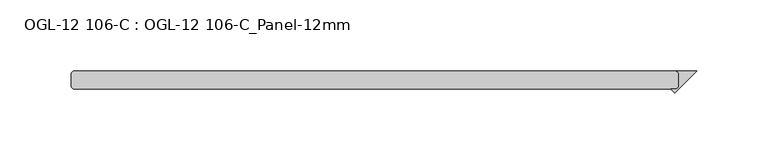
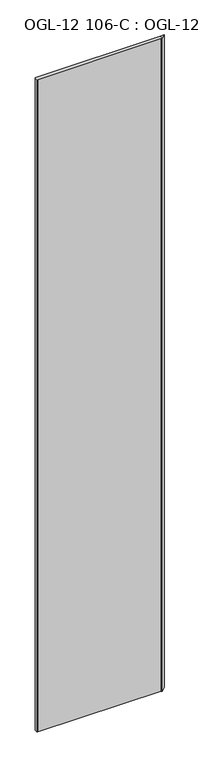
"""IFC4 building model written with IfcOpenShell, lengths in millimetres: plate geometry, OGL-12 106-C : OGL-12 106-C_Panel-12mm."""

from ifc_helpers import new_model, si_unit, origin, origin_with_axes, place, context, project, spatial, polyline, outline, extrude, source, transform, mapped, element, save


def ogl_12_106_c_ogl_12_106_c_panel_12mm_83e49abc(model_context):
    return source(origin(), model_context, "Body", "SweptSolid", [
        extrude(outline(polyline([(210.0006234, 4.7625), (208.4131234, 6.35), (222.7006234, 6.35), (207.2905913, -9.060032), (204.5805593, -6.35), (208.4131234, -6.35), (210.0006234, -4.7625), (210.0006234, 4.7625)])), origin_with_axes(), (0.0, 0.0, 1.0), 2339.914687),
        extrude(outline(polyline([(208.4131234, 6.35), (210.0006234, 4.7625), (210.0006234, -4.7625), (208.4131234, -6.35), (-214.7631234, -6.35), (-216.3506234, -4.7625), (-216.3506234, 4.7625), (-214.7631234, 6.35), (208.4131234, 6.35)])), origin_with_axes(), (0.0, 0.0, 1.0), 2339.914687),
    ])


if __name__ == "__main__":
    model = new_model("IFC4")
    model_context = context("Model", 3, world=origin())
    ifc_project = project(units=[si_unit("LENGTHUNIT", "METRE", prefix="MILLI")], contexts=[model_context])
    site = spatial("IfcSite", under=ifc_project)
    building = spatial("IfcBuilding", under=site)
    placement = place(None, origin())
    ogl_12_106_c_ogl_12_106_c_panel_12mm_shape = ogl_12_106_c_ogl_12_106_c_panel_12mm_83e49abc(model_context)
    element("IfcPlate", 1, ObjectType="OGL-12 106-C : OGL-12 106-C_Panel-12mm", at=placement, inside=building, context=model_context, shape_type="MappedRepresentation", body=[
        mapped(ogl_12_106_c_ogl_12_106_c_panel_12mm_shape, transform((0.0, 0.0, 0.0), x_axis=(1.0, 0.0, 0.0), y_axis=(0.0, 1.0, 0.0), z_axis=(0.0, 0.0, 1.0))),
    ])
    save(model, "model.ifc")
